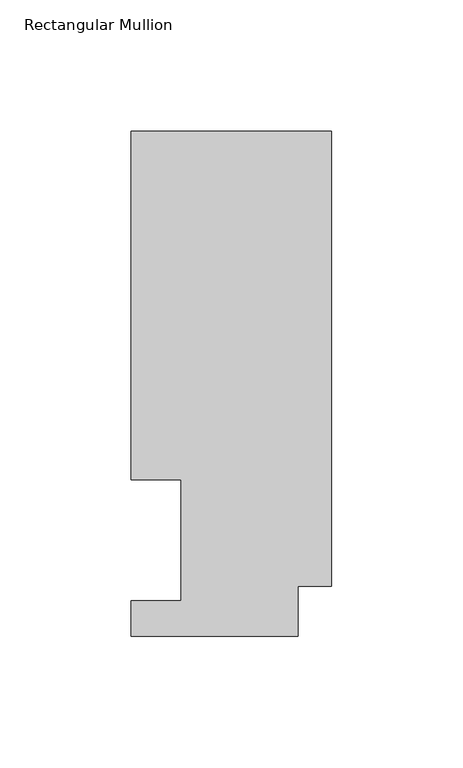
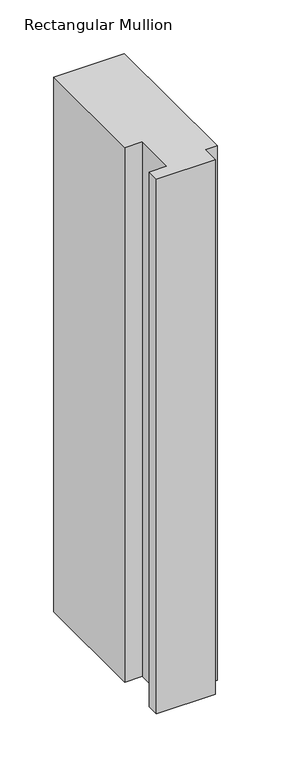
"""IFC4 building model written with IfcOpenShell, lengths in millimetres: member geometry, Rectangular Mullion."""

from ifc_helpers import new_model, si_unit, frame, origin, place, context, project, spatial, polyline, outline, extrude, source, transform, mapped, element, save


def rectangular_mullion_94397758(model_context):
    return source(origin(), model_context, "Body", "SweptSolid", [
        extrude(outline(polyline([(0.0, 192.09385), (0.0, 19.06905), (-12.7, 19.06905), (-12.7, 0.04445), (-76.2, 0.04445), (-76.2, 13.50645), (-57.1627, 13.50645), (-57.1627, 59.53125), (-76.2, 59.53125), (-76.2, 192.09385), (0.0, 192.09385)])), frame((0.0, 0.0, -609.6), z_axis=(0.0, 0.0, 1.0), x_axis=(1.0, 0.0, 0.0)), (0.0, 0.0, 1.0), 609.6),
    ])


if __name__ == "__main__":
    model = new_model("IFC4")
    model_context = context("Model", 3, world=origin())
    ifc_project = project(units=[si_unit("LENGTHUNIT", "METRE", prefix="MILLI")], contexts=[model_context])
    site = spatial("IfcSite", under=ifc_project)
    building = spatial("IfcBuilding", under=site)
    placement = place(None, origin())
    rectangular_mullion_shape = rectangular_mullion_94397758(model_context)
    element("IfcMember", 1, ObjectType="Rectangular Mullion", at=placement, inside=building, context=model_context, shape_type="MappedRepresentation", body=[
        mapped(rectangular_mullion_shape, transform((0.0, 0.0, 0.0), x_axis=(1.0, 0.0, 0.0), y_axis=(0.0, 1.0, 0.0), z_axis=(0.0, 0.0, 1.0))),
    ])
    save(model, "model.ifc")
